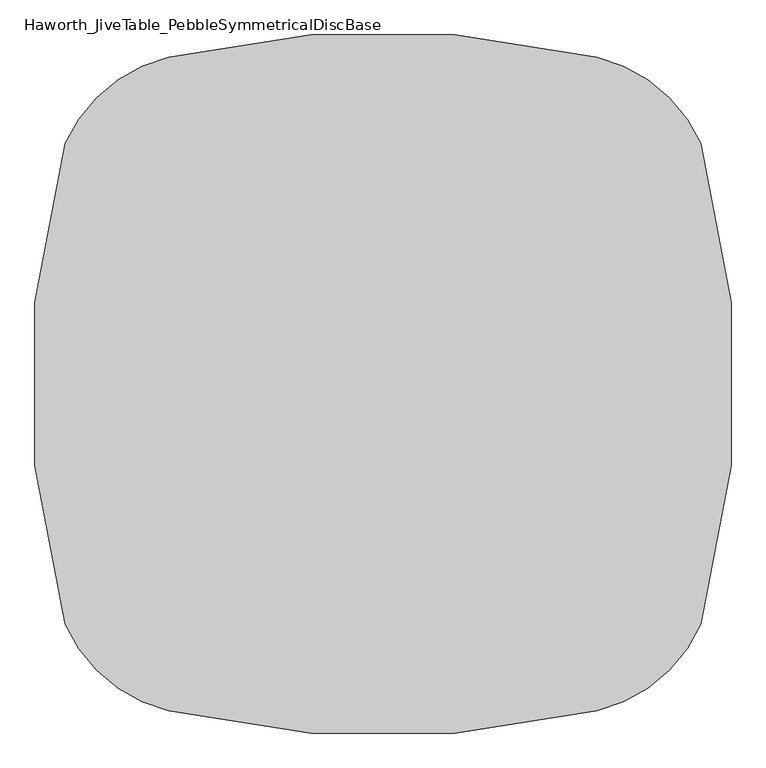
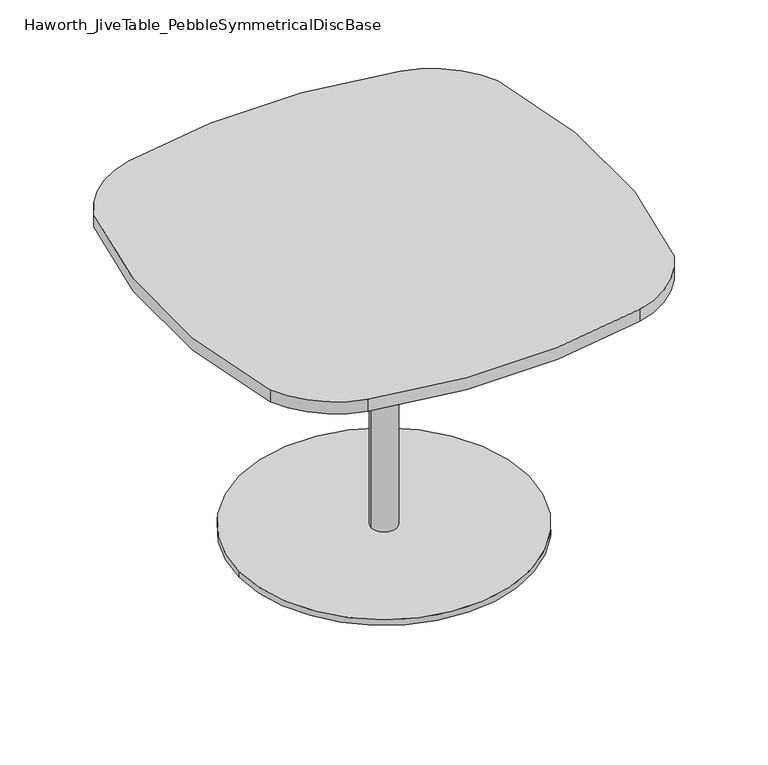
"""IFC4 building model written with IfcOpenShell, lengths in millimetres: furniture geometry, Haworth_JiveTable_PebbleSymmetricalDiscBase."""

from ifc_helpers import new_model, si_unit, point, frame, frame_2d, origin, origin_with_axes, origin_2d, place, context, project, spatial, polyline, circle_curve, trimmed, segment, composite_curve, outline, extrude, source, transform, mapped, element, save


def haworth_jivetable_pebblesymmetricaldiscbase_9cd2ae5b(model_context):
    return source(origin(), model_context, "Body", "SweptSolid", [
        extrude(outline(composite_curve([segment(trimmed(circle_curve(frame_2d((269.2879287, 269.2881032)), 228.5928838), [point((321.9675568, 491.728125))], [point((478.3074326, 361.8383789))], False, "CARTESIAN"), True, "CONTINUOUS"), segment(trimmed(circle_curve(frame_2d((-779.0577458, 0.0)), 1308.3937497), [point((478.3074326, 361.8383789))], [point((478.3074326, -361.8383789))], False, "CARTESIAN"), True, "CONTINUOUS"), segment(trimmed(circle_curve(frame_2d((269.2879287, -269.2881032)), 228.5928838), [point((478.3074326, -361.8383789))], [point((321.9675568, -491.728125))], False, "CARTESIAN"), True, "CONTINUOUS"), segment(trimmed(circle_curve(frame_2d((0.0, 867.7816704)), 1397.1148813), [point((321.9675568, -491.728125))], [point((-321.9675568, -491.728125))], False, "CARTESIAN"), True, "CONTINUOUS"), segment(trimmed(circle_curve(frame_2d((-269.2879287, -269.2881032)), 228.5928838), [point((-321.9675568, -491.728125))], [point((-478.3074326, -361.8383789))], False, "CARTESIAN"), True, "CONTINUOUS"), segment(trimmed(circle_curve(frame_2d((779.0577458, 0.0)), 1308.3937497), [point((-478.3074326, -361.8383789))], [point((-478.3074326, 361.8383789))], False, "CARTESIAN"), True, "CONTINUOUS"), segment(trimmed(circle_curve(frame_2d((-269.2879287, 269.2881032)), 228.5928838), [point((-478.3074326, 361.8383789))], [point((-321.9675568, 491.728125))], False, "CARTESIAN"), True, "CONTINUOUS"), segment(trimmed(circle_curve(frame_2d((0.0, -867.7816704)), 1397.1148813), [point((-321.9675568, 491.728125))], [point((321.9675568, 491.728125))], False, "CARTESIAN"), True, "CONTINUOUS")], self_intersect=False)), frame((0.0, 0.0, 706.4375), z_axis=(0.0, 0.0, 1.0), x_axis=(1.0, 0.0, 0.0)), (0.0, 0.0, 1.0), 30.1625),
        extrude(outline(composite_curve([segment(trimmed(circle_curve(origin_2d(), 29.9972969), [point((-29.9972969, 0.0))], [point((29.9972969, 0.0))], False, "CARTESIAN"), True, "CONTINUOUS"), segment(trimmed(circle_curve(origin_2d(), 29.9972969), [point((29.9972969, 0.0))], [point((-29.9972969, 0.0))], False, "CARTESIAN"), True, "CONTINUOUS")], self_intersect=False)), frame((0.0, 0.0, 14.3509999), z_axis=(0.0, 0.0, 1.0), x_axis=(1.0, 0.0, 0.0)), (0.0, 0.0, 1.0), 688.6574942),
        extrude(outline(composite_curve([segment(trimmed(circle_curve(origin_2d(), 342.9), [point((-342.9, 0.0))], [point((342.9, 0.0))], False, "CARTESIAN"), True, "CONTINUOUS"), segment(trimmed(circle_curve(origin_2d(), 342.9), [point((342.9, 0.0))], [point((-342.9, 0.0))], False, "CARTESIAN"), True, "CONTINUOUS")], self_intersect=False)), origin_with_axes(), (0.0, 0.0, 1.0), 14.3509999),
        extrude(outline(polyline([(0.0, 215.5237554), (215.5242103, 0.0), (0.0, -215.5237554), (-215.5240587, 0.0), (0.0, 215.5237554)])), frame((0.0, 0.0, 703.0084942), z_axis=(0.0, 0.0, 1.0), x_axis=(1.0, 0.0, 0.0)), (0.0, 0.0, 1.0), 3.4290058),
    ])


if __name__ == "__main__":
    model = new_model("IFC4")
    model_context = context("Model", 3, world=origin())
    ifc_project = project(units=[si_unit("LENGTHUNIT", "METRE", prefix="MILLI")], contexts=[model_context])
    site = spatial("IfcSite", under=ifc_project)
    building = spatial("IfcBuilding", under=site)
    placement = place(None, origin())
    haworth_jivetable_pebblesymmetricaldiscbase_shape = haworth_jivetable_pebblesymmetricaldiscbase_9cd2ae5b(model_context)
    element("IfcFurniture", 1, ObjectType="Haworth_JiveTable_PebbleSymmetricalDiscBase", at=placement, inside=building, context=model_context, shape_type="MappedRepresentation", body=[
        mapped(haworth_jivetable_pebblesymmetricaldiscbase_shape, transform((0.0, 0.0, 0.0), x_axis=(1.0, 0.0, 0.0), y_axis=(0.0, 1.0, 0.0), z_axis=(0.0, 0.0, 1.0))),
    ])
    save(model, "model.ifc")
